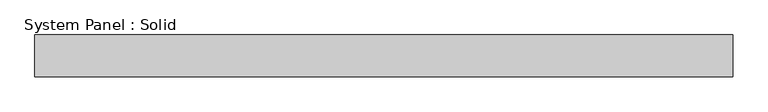
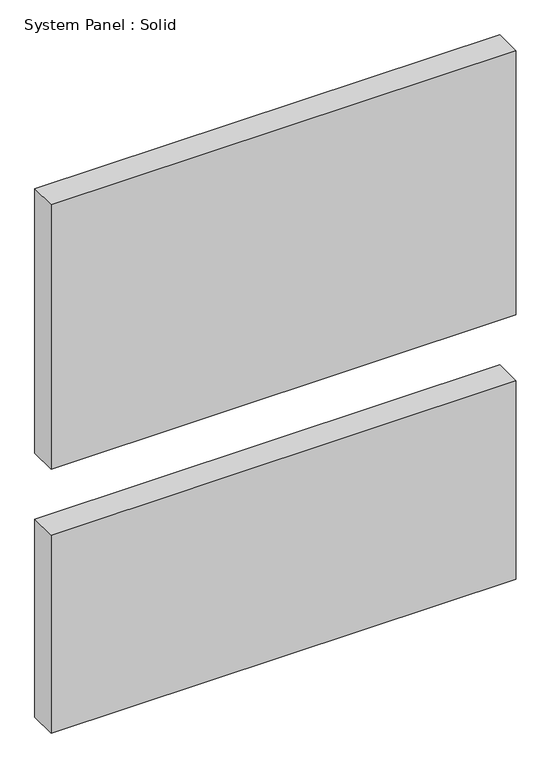
"""IFC4 building model written with IfcOpenShell, lengths in millimetres: plate geometry, System Panel : Solid."""

from ifc_helpers import new_model, si_unit, frame, origin, origin_with_axes, place, context, project, spatial, polyline, outline, extrude, source, transform, mapped, element, save


def system_panel_solid_bfcc027a(model_context):
    return source(origin(), model_context, "Body", "SweptSolid", [
        extrude(outline(polyline([(500.0, -10.5), (-500.0, -10.5), (-500.0, 49.5), (500.0, 49.5), (500.0, -10.5)])), origin_with_axes(), (0.0, 0.0, 1.0), 450.0),
        extrude(outline(polyline([(500.0, -10.5), (-500.0, -10.5), (-500.0, 49.5), (500.0, 49.5), (500.0, -10.5)])), frame((0.0, 0.0, 600.0), z_axis=(0.0, 0.0, 1.0), x_axis=(1.0, 0.0, 0.0)), (0.0, 0.0, 1.0), 600.0),
    ])


if __name__ == "__main__":
    model = new_model("IFC4")
    model_context = context("Model", 3, world=origin())
    ifc_project = project(units=[si_unit("LENGTHUNIT", "METRE", prefix="MILLI")], contexts=[model_context])
    site = spatial("IfcSite", under=ifc_project)
    building = spatial("IfcBuilding", under=site)
    placement = place(None, origin())
    system_panel_solid_shape = system_panel_solid_bfcc027a(model_context)
    element("IfcPlate", 1, ObjectType="System Panel : Solid", at=placement, inside=building, context=model_context, shape_type="MappedRepresentation", body=[
        mapped(system_panel_solid_shape, transform((0.0, 0.0, 0.0), x_axis=(1.0, 0.0, 0.0), y_axis=(0.0, 1.0, 0.0), z_axis=(0.0, 0.0, 1.0))),
    ])
    save(model, "model.ifc")
